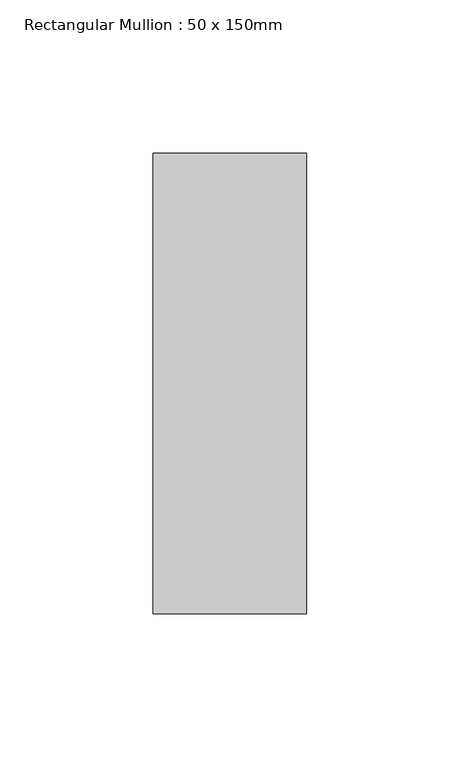
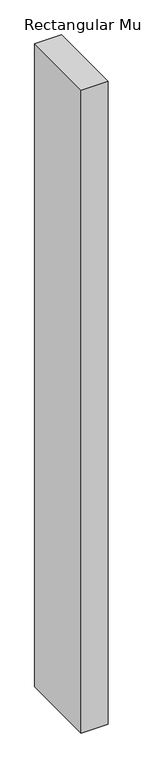
"""IFC4 building model written with IfcOpenShell, lengths in millimetres: member geometry, Rectangular Mullion : 50 x 150mm."""

from ifc_helpers import new_model, si_unit, frame, origin, place, context, project, spatial, polyline, outline, extrude, source, transform, mapped, element, save


def rectangular_mullion_50_x_150mm_79b92c8f(model_context):
    return source(origin(), model_context, "Body", "SweptSolid", [
        extrude(outline(polyline([(25.0, 75.0), (25.0, -75.0), (-25.0, -75.0), (-25.0, 75.0), (25.0, 75.0)])), frame((0.0, 0.0, -1264.1765303), z_axis=(0.0, 0.0, 1.0), x_axis=(1.0, 0.0, 0.0)), (0.0, 0.0, 1.0), 1264.1765303),
    ])


if __name__ == "__main__":
    model = new_model("IFC4")
    model_context = context("Model", 3, world=origin())
    ifc_project = project(units=[si_unit("LENGTHUNIT", "METRE", prefix="MILLI")], contexts=[model_context])
    site = spatial("IfcSite", under=ifc_project)
    building = spatial("IfcBuilding", under=site)
    placement = place(None, origin())
    rectangular_mullion_50_x_150mm_shape = rectangular_mullion_50_x_150mm_79b92c8f(model_context)
    element("IfcMember", 1, ObjectType="Rectangular Mullion : 50 x 150mm", at=placement, inside=building, context=model_context, shape_type="MappedRepresentation", body=[
        mapped(rectangular_mullion_50_x_150mm_shape, transform((0.0, 0.0, 0.0), x_axis=(1.0, 0.0, 0.0), y_axis=(0.0, 1.0, 0.0), z_axis=(0.0, 0.0, 1.0))),
    ])
    save(model, "model.ifc")
